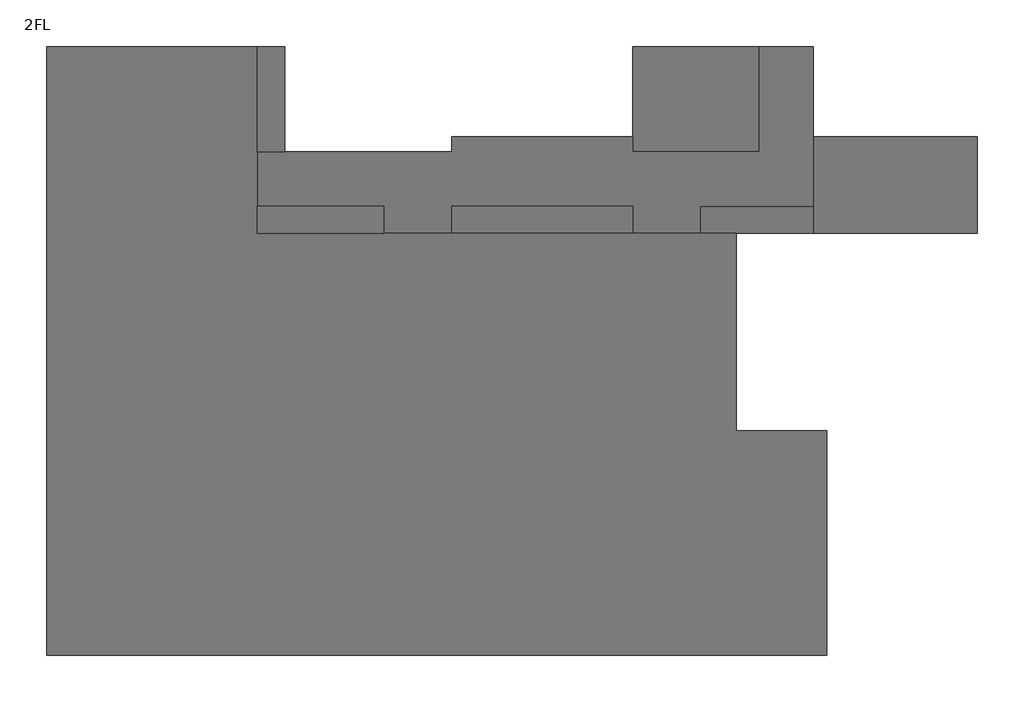
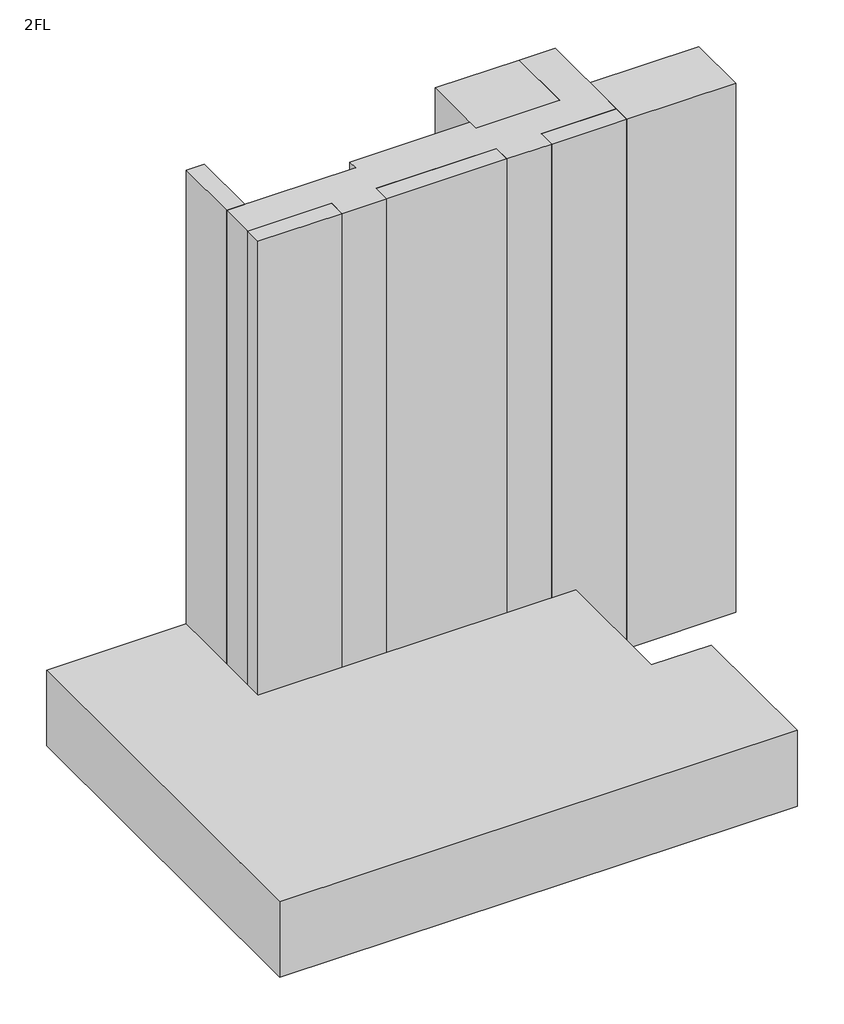
# One storey: 8 proxies.
"""IFC4 building model written with IfcOpenShell, lengths in millimetres."""

from ifc_helpers import new_model, si_unit, frame, origin, place, context, project, spatial, polyline, outline, extrude, element, save

model = new_model("IFC4")

# Units and contexts
model_context = context("Model", 3, world=origin())
ifc_project = project(units=[si_unit("LENGTHUNIT", "METRE", prefix="MILLI")], contexts=[model_context])

# Site, building, storey
site = spatial("IfcSite", under=ifc_project)
building = spatial("IfcBuilding", under=site)
storey = spatial("IfcBuildingStorey", under=building, Name="2FL", Elevation=4600.0)

# Proxies
placement = place(None, origin())
element("IfcBuildingElementProxy", 1, Name="Mass", at=placement, inside=storey, context=model_context, shape_type="SweptSolid", body=[
    extrude(outline(polyline([(-5195.9784025, 16649.6868987), (-5195.9784025, 13149.6868987), (-9395.9784025, 13149.6868987), (-9395.9784025, 16649.6868987), (-5195.9784025, 16649.6868987)])), frame((0.0, 0.0, 4600.0), z_axis=(0.0, 0.0, 1.0), x_axis=(1.0, 0.0, 0.0)), (0.0, 0.0, 1.0), 28000.0),
])
element("IfcBuildingElementProxy", 2, Name="Mass", at=placement, inside=storey, context=model_context, shape_type="SweptSolid", body=[
    extrude(outline(polyline([(2054.0215975, 13649.6868987), (2054.0215975, 10449.6868987), (-3395.9784025, 10449.6868987), (-3395.9784025, 13649.6868987), (2054.0215975, 13649.6868987)])), frame((0.0, 0.0, 4600.0), z_axis=(0.0, 0.0, 1.0), x_axis=(1.0, 0.0, 0.0)), (0.0, 0.0, 1.0), 28000.0),
])
element("IfcBuildingElementProxy", 3, Name="Mass", at=placement, inside=storey, context=model_context, shape_type="SweptSolid", body=[
    extrude(outline(polyline([(-20945.9784025, 16649.6868987), (-20945.9784025, 13149.6868987), (-21845.9784025, 13149.6868987), (-21845.9784025, 16649.6868987), (-20945.9784025, 16649.6868987)])), frame((0.0, 0.0, 4600.0), z_axis=(0.0, 0.0, 1.0), x_axis=(1.0, 0.0, 0.0)), (0.0, 0.0, 1.0), 28000.0),
])
element("IfcBuildingElementProxy", 4, Name="Mass", at=placement, inside=storey, context=model_context, shape_type="SweptSolid", body=[
    extrude(outline(polyline([(-17645.9784025, 11349.6868987), (-17645.9784025, 10449.6868987), (-21845.9784025, 10449.6868987), (-21845.9784025, 11349.6868987), (-17645.9784025, 11349.6868987)])), frame((0.0, 0.0, 4600.0), z_axis=(0.0, 0.0, 1.0), x_axis=(1.0, 0.0, 0.0)), (0.0, 0.0, 1.0), 28000.0),
])
element("IfcBuildingElementProxy", 5, Name="Mass", at=placement, inside=storey, context=model_context, shape_type="SweptSolid", body=[
    extrude(outline(polyline([(-9395.9784025, 11349.6868987), (-9395.9784025, 10449.6868987), (-15395.9784025, 10449.6868987), (-15395.9784025, 11349.6868987), (-9395.9784025, 11349.6868987)])), frame((0.0, 0.0, 4600.0), z_axis=(0.0, 0.0, 1.0), x_axis=(1.0, 0.0, 0.0)), (0.0, 0.0, 1.0), 28000.0),
])
element("IfcBuildingElementProxy", 6, Name="Mass", at=placement, inside=storey, context=model_context, shape_type="SweptSolid", body=[
    extrude(outline(polyline([(-3395.9784025, 11349.6868987), (-3395.9784025, 10449.6868987), (-7145.9784025, 10449.6868987), (-7145.9784025, 11349.6868987), (-3395.9784025, 11349.6868987)])), frame((0.0, 0.0, 4600.0), z_axis=(0.0, 0.0, 1.0), x_axis=(1.0, 0.0, 0.0)), (0.0, 0.0, 1.0), 28000.0),
])
element("IfcBuildingElementProxy", 7, Name="Mass", at=placement, inside=storey, context=model_context, shape_type="SweptSolid", body=[
    extrude(outline(polyline([(-15395.9784025, 13149.6868987), (-15395.9784025, 13649.6868987), (-9395.9784025, 13649.6868987), (-9395.9784025, 13149.6868987), (-5195.9784025, 13149.6868987), (-5195.9784025, 16649.6868987), (-3395.9784025, 16649.6868987), (-3395.9784025, 11349.6868987), (-7145.9784025, 11349.6868987), (-7145.9784025, 10449.6868987), (-9395.9784025, 10449.6868987), (-9395.9784025, 11349.6868987), (-15395.9784025, 11349.6868987), (-15395.9784025, 10449.6868987), (-17645.9784025, 10449.6868987), (-17645.9784025, 11349.6868987), (-21845.9784025, 11349.6868987), (-21845.9784025, 13149.6868987), (-15395.9784025, 13149.6868987)])), frame((0.0, 0.0, 4600.0), z_axis=(0.0, 0.0, 1.0), x_axis=(1.0, 0.0, 0.0)), (0.0, 0.0, 1.0), 28000.0),
])
element("IfcBuildingElementProxy", 8, Name="Mass", at=placement, inside=storey, context=model_context, shape_type="SweptSolid", body=[
    extrude(outline(polyline([(-28845.9784025, -3550.3131013), (-28845.9784025, 16649.6868987), (-21845.9784025, 16649.6868987), (-21845.9784025, 10449.6868987), (-5945.9784025, 10449.6868987), (-5945.9784025, 3899.6868987), (-2945.9784025, 3899.6868987), (-2945.9784025, -3550.3131013), (-28845.9784025, -3550.3131013)])), frame((0.0, 0.0, 4600.0), z_axis=(0.0, 0.0, 1.0), x_axis=(1.0, 0.0, 0.0)), (0.0, 0.0, 1.0), 4000.0),
])

save(model, "model.ifc")
